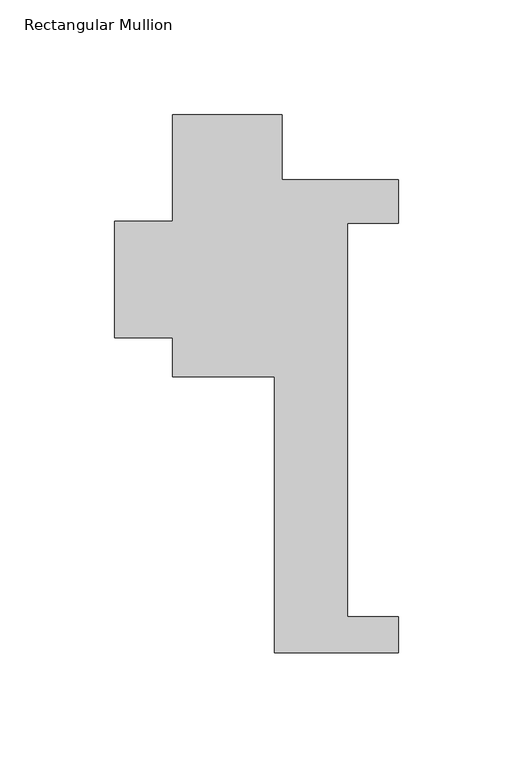
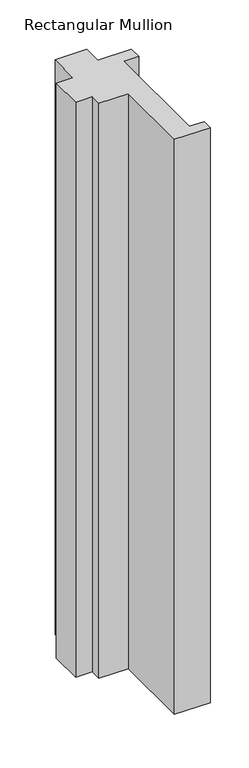
"""IFC4 building model written with IfcOpenShell, lengths in millimetres: member geometry, Rectangular Mullion."""

from ifc_helpers import new_model, si_unit, frame, origin, place, context, project, spatial, polyline, outline, extrude, source, transform, mapped, element, save


def rectangular_mullion_1d5de6bf(model_context):
    return source(origin(), model_context, "Body", "SweptSolid", [
        extrude(outline(polyline([(-15.875, -221.996), (-15.875, -101.6), (-60.325, -101.6), (-60.325, -84.5460633), (-85.725, -84.5460633), (-85.725, -33.7460633), (-60.325, -33.7460633), (-60.325, 12.7), (-12.7, 12.7), (-12.7, -15.621), (38.1, -15.621), (38.1, -34.671), (15.875, -34.671), (15.875, -206.121), (38.1, -206.121), (38.1, -221.996), (-15.875, -221.996)])), frame((0.0, 0.0, -916.4991254), z_axis=(0.0, 0.0, 1.0), x_axis=(1.0, 0.0, 0.0)), (0.0, 0.0, 1.0), 916.4991254),
    ])


if __name__ == "__main__":
    model = new_model("IFC4")
    model_context = context("Model", 3, world=origin())
    ifc_project = project(units=[si_unit("LENGTHUNIT", "METRE", prefix="MILLI")], contexts=[model_context])
    site = spatial("IfcSite", under=ifc_project)
    building = spatial("IfcBuilding", under=site)
    placement = place(None, origin())
    rectangular_mullion_shape = rectangular_mullion_1d5de6bf(model_context)
    element("IfcMember", 1, ObjectType="Rectangular Mullion", at=placement, inside=building, context=model_context, shape_type="MappedRepresentation", body=[
        mapped(rectangular_mullion_shape, transform((0.0, 0.0, 0.0), x_axis=(1.0, 0.0, 0.0), y_axis=(0.0, 1.0, 0.0), z_axis=(0.0, 0.0, 1.0))),
    ])
    save(model, "model.ifc")
